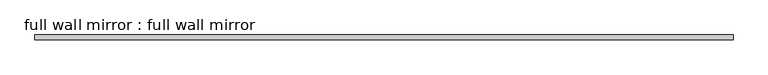
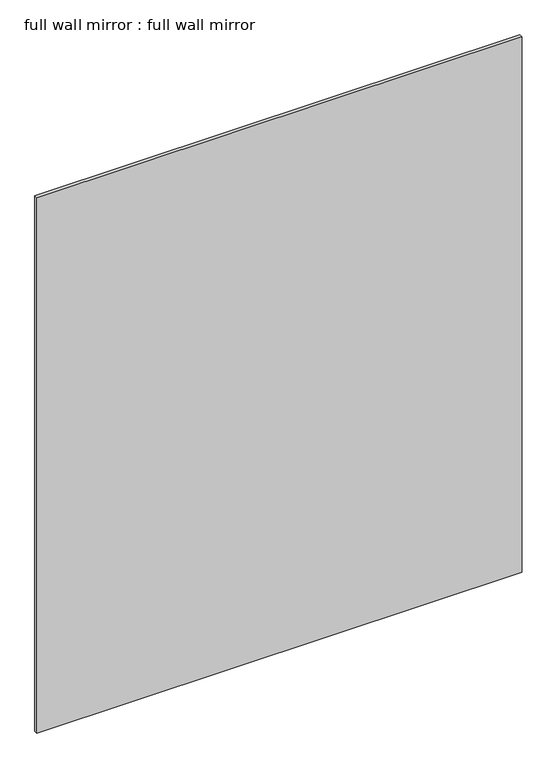
"""IFC4 building model written with IfcOpenShell, lengths in millimetres: proxy geometry, full wall mirror : full wall mirror."""

from ifc_helpers import new_model, si_unit, frame, origin, place, context, project, spatial, polyline, outline, extrude, source, transform, mapped, element, save


def full_wall_mirror_full_wall_mirror_f1d378c8(model_context):
    return source(origin(), model_context, "Body", "SweptSolid", [
        extrude(outline(polyline([(914.4, 61.9125), (-914.4, 61.9125), (-914.4, 74.6125), (914.4, 74.6125), (914.4, 61.9125)])), frame((0.0, 0.0, 152.4), z_axis=(0.0, 0.0, 1.0), x_axis=(1.0, 0.0, 0.0)), (0.0, 0.0, 1.0), 2133.6),
    ])


if __name__ == "__main__":
    model = new_model("IFC4")
    model_context = context("Model", 3, world=origin())
    ifc_project = project(units=[si_unit("LENGTHUNIT", "METRE", prefix="MILLI")], contexts=[model_context])
    site = spatial("IfcSite", under=ifc_project)
    building = spatial("IfcBuilding", under=site)
    placement = place(None, origin())
    full_wall_mirror_full_wall_mirror_shape = full_wall_mirror_full_wall_mirror_f1d378c8(model_context)
    element("IfcBuildingElementProxy", 1, Name="full wall mirror : full wall mirror", ObjectType="full wall mirror : full wall mirror", at=placement, inside=building, context=model_context, shape_type="MappedRepresentation", body=[
        mapped(full_wall_mirror_full_wall_mirror_shape, transform((0.0, 0.0, 0.0), x_axis=(1.0, 0.0, 0.0), y_axis=(0.0, 1.0, 0.0), z_axis=(0.0, 0.0, 1.0))),
    ])
    save(model, "model.ifc")
